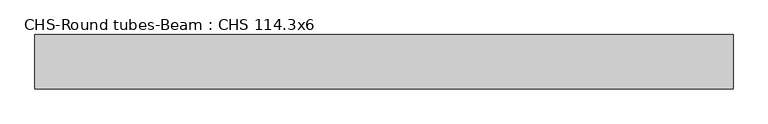
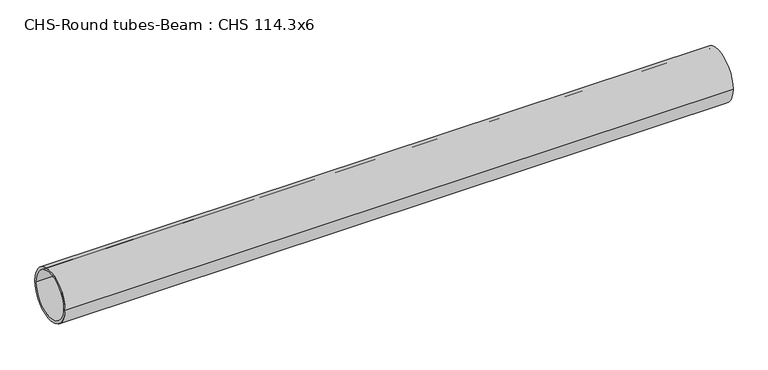
"""IFC4 building model written with IfcOpenShell, lengths in millimetres: beam geometry, CHS-Round tubes-Beam : CHS 114.3x6."""

from ifc_helpers import new_model, si_unit, point, frame, origin, origin_2d, place, context, project, spatial, circle_curve, trimmed, segment, composite_curve, outline, extrude, source, transform, mapped, element, save


def chs_round_tubes_beam_chs_114_3x6_c2cbd4c6(model_context):
    return source(origin(), model_context, "Body", "SweptSolid", [
        extrude(outline(composite_curve([segment(trimmed(circle_curve(origin_2d(), 57.15), [point((57.15, 0.0))], [point((-57.15, 0.0))], False, "CARTESIAN"), True, "CONTINUOUS"), segment(trimmed(circle_curve(origin_2d(), 57.15), [point((-57.15, 0.0))], [point((57.15, 0.0))], False, "CARTESIAN"), True, "CONTINUOUS")], self_intersect=False), holes=[composite_curve([segment(trimmed(circle_curve(origin_2d(), 51.15), [point((51.15, 0.0))], [point((-51.15, 0.0))], True, "CARTESIAN"), True, "CONTINUOUS"), segment(trimmed(circle_curve(origin_2d(), 51.15), [point((-51.15, 0.0))], [point((51.15, 0.0))], True, "CARTESIAN"), True, "CONTINUOUS")], self_intersect=False)]), frame((-703.1016983, 0.0, 0.0), z_axis=(1.0, 0.0, 0.0), x_axis=(0.0, 1.0, 0.0)), (0.0, 0.0, 1.0), 1468.6656711),
    ])


if __name__ == "__main__":
    model = new_model("IFC4")
    model_context = context("Model", 3, world=origin())
    ifc_project = project(units=[si_unit("LENGTHUNIT", "METRE", prefix="MILLI")], contexts=[model_context])
    site = spatial("IfcSite", under=ifc_project)
    building = spatial("IfcBuilding", under=site)
    placement = place(None, origin())
    chs_round_tubes_beam_chs_114_3x6_shape = chs_round_tubes_beam_chs_114_3x6_c2cbd4c6(model_context)
    element("IfcBeam", 1, ObjectType="CHS-Round tubes-Beam : CHS 114.3x6", at=placement, inside=building, context=model_context, shape_type="MappedRepresentation", body=[
        mapped(chs_round_tubes_beam_chs_114_3x6_shape, transform((0.0, 0.0, 0.0), x_axis=(1.0, 0.0, 0.0), y_axis=(0.0, 1.0, 0.0), z_axis=(0.0, 0.0, 1.0))),
    ])
    save(model, "model.ifc")
